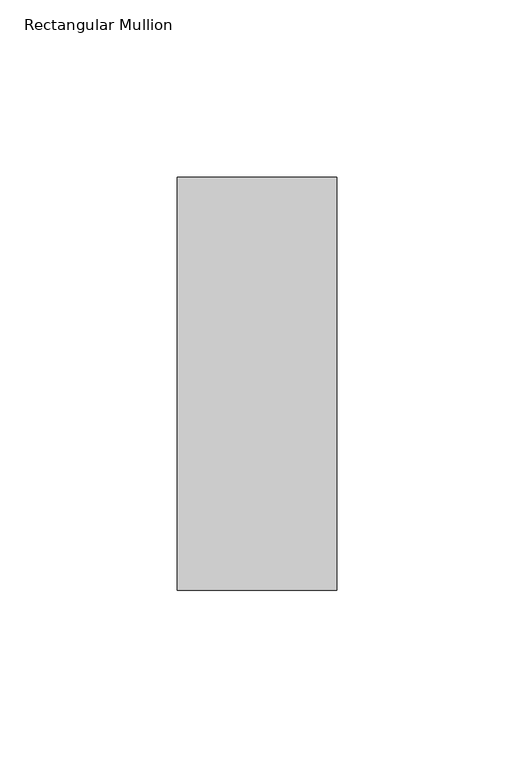
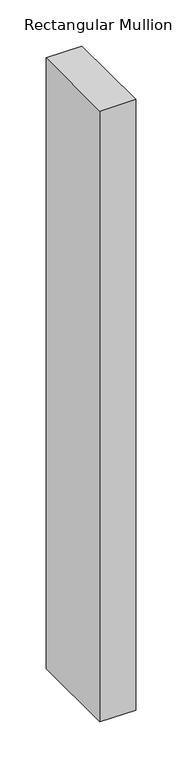
"""IFC4 building model written with IfcOpenShell, lengths in millimetres: member geometry, Rectangular Mullion."""

import ifcopenshell
import ifcopenshell.guid

model = None  # the IFC model being written
_history = None  # IfcOwnerHistory: only IFC2X3 demands one
_inside = {}  # id of a spatial element -> (the spatial element, [elements in it])
_under = {}  # id of a project, library or spatial element -> (it, [spatial elements below it])
_declared = {}  # id of a project -> (the project, [libraries it declares])
_typed = {}  # id of a type object -> (the type object, [elements of that type])
_made_of = {}  # id of a material, layer set ... -> (it, [elements and type objects made of it])


def new_model(schema):
    """Start an empty IFC model of exactly this schema.

    Asked for "IFC4X3", IfcOpenShell would pick the latest addendum, in which some entities
    have other attributes; the version numbers below select the first issue.
    IFC2X3 requires an IfcOwnerHistory on every rooted entity: one is made here for all.
    """
    global model, _history
    if schema == "IFC4X3":
        model = ifcopenshell.file(schema_version=(4, 3, 0, 0))
    else:
        model = ifcopenshell.file(schema=schema)
    _inside.clear()
    _under.clear()
    _declared.clear()
    _typed.clear()
    _made_of.clear()
    _history = None
    if model.schema == "IFC2X3":
        org = make("IfcOrganization", Name="unknown")
        user = make(
            "IfcPersonAndOrganization",
            ThePerson=make("IfcPerson", FamilyName="unknown"),
            TheOrganization=org,
        )
        app = make(
            "IfcApplication",
            ApplicationDeveloper=org,
            Version="unknown",
            ApplicationFullName="unknown",
            ApplicationIdentifier="unknown",
        )
        _history = make(
            "IfcOwnerHistory",
            OwningUser=user,
            OwningApplication=app,
            ChangeAction="ADDED",
            CreationDate=0,
        )
    return model


def make(cls, **values):
    """One entity of the class cls with the attributes given. An attribute that is None is left unset."""
    return model.create_entity(
        cls, **{name: value for name, value in values.items() if value is not None}
    )


def rooted(cls, **values):
    """An entity with a GlobalId (a new one), such as an element, a storey or a relation."""
    return make(cls, GlobalId=ifcopenshell.guid.new(), OwnerHistory=_history, **values)


def si_unit(unit_type, name, prefix=None):
    """IfcSIUnit, for example si_unit("LENGTHUNIT", "METRE", prefix="MILLI")."""
    return make("IfcSIUnit", UnitType=unit_type, Prefix=prefix, Name=name)


def assignment(units):
    """IfcUnitAssignment: the units of a project."""
    return None if units is None else make("IfcUnitAssignment", Units=units)


def point(xyz):
    """IfcCartesianPoint."""
    return None if xyz is None else make("IfcCartesianPoint", Coordinates=xyz)


def direction(xyz):
    """IfcDirection."""
    return None if xyz is None else make("IfcDirection", DirectionRatios=xyz)


def frame(location, z_axis=None, x_axis=None):
    """IfcAxis2Placement3D, a coordinate frame: its origin and axes. An axis left out is left unset."""
    return make(
        "IfcAxis2Placement3D",
        Location=point(location),
        Axis=direction(z_axis),
        RefDirection=direction(x_axis),
    )


def origin():
    """The frame at (0, 0, 0) with its axes left unset."""
    return frame((0.0, 0.0, 0.0))


def place(relative_to, where):
    """IfcLocalPlacement: puts the frame where relative to a parent placement (None: the world)."""
    return make(
        "IfcLocalPlacement", PlacementRelTo=relative_to, RelativePlacement=where
    )


def context(
    kind, dimensions, precision=None, world=None, true_north=None, identifier=None
):
    """IfcGeometricRepresentationContext, for example the 3D "Model" context."""
    return make(
        "IfcGeometricRepresentationContext",
        ContextIdentifier=identifier,
        ContextType=kind,
        CoordinateSpaceDimension=dimensions,
        Precision=precision,
        WorldCoordinateSystem=world,
        TrueNorth=true_north,
    )


def project(units=None, contexts=None):
    """IfcProject with its units and contexts."""
    return rooted(
        "IfcProject",
        Name="project",
        RepresentationContexts=contexts,
        UnitsInContext=assignment(units),
    )


def spatial(cls, under=None, at=None, **own):
    """A site, building, storey or space (cls), placed at a placement, below another one or the project."""
    s = rooted(cls, ObjectPlacement=at, **own)
    if under is not None:
        _under.setdefault(under.id(), (under, []))[1].append(s)
    return s


def polyline(points):
    """IfcPolyline through the points."""
    return make("IfcPolyline", Points=[point(p) for p in points])


def outline(outer, holes=None, kind="AREA"):
    """IfcArbitraryClosedProfileDef: a profile drawn as a closed curve; with holes, ...WithVoids."""
    if holes is None:
        return make("IfcArbitraryClosedProfileDef", ProfileType=kind, OuterCurve=outer)
    return make(
        "IfcArbitraryProfileDefWithVoids",
        ProfileType=kind,
        OuterCurve=outer,
        InnerCurves=holes,
    )


def extrude(swept, where, along, depth):
    """IfcExtrudedAreaSolid: the profile swept, set in the frame where, extruded along a direction by depth."""
    return make(
        "IfcExtrudedAreaSolid",
        SweptArea=swept,
        Position=where,
        ExtrudedDirection=direction(along),
        Depth=depth,
    )


def shape(context_of_items, identifier, shape_type, items):
    """IfcShapeRepresentation: the items that make up one representation, for example the "Body"."""
    return make(
        "IfcShapeRepresentation",
        ContextOfItems=context_of_items,
        RepresentationIdentifier=identifier,
        RepresentationType=shape_type,
        Items=items,
    )


def source(mapping_origin, context_of_items, identifier, shape_type, items):
    """IfcRepresentationMap: a shape defined once, which mapped items show again and again."""
    return make(
        "IfcRepresentationMap",
        MappingOrigin=mapping_origin,
        MappedRepresentation=shape(context_of_items, identifier, shape_type, items),
    )


def transform(
    local_origin,
    x_axis=None,
    y_axis=None,
    z_axis=None,
    scale=None,
    scale2=None,
    scale3=None,
    uniform=True,
):
    """IfcCartesianTransformationOperator3D, or its non-uniform kind. x_axis, y_axis, z_axis: its Axis1, 2, 3."""
    if uniform:
        return make(
            "IfcCartesianTransformationOperator3D",
            Axis1=direction(x_axis),
            Axis2=direction(y_axis),
            LocalOrigin=point(local_origin),
            Scale=scale,
            Axis3=direction(z_axis),
        )
    return make(
        "IfcCartesianTransformationOperator3DnonUniform",
        Axis1=direction(x_axis),
        Axis2=direction(y_axis),
        LocalOrigin=point(local_origin),
        Scale=scale,
        Axis3=direction(z_axis),
        Scale2=scale2,
        Scale3=scale3,
    )


def mapped(mapping_source, mapping_target):
    """IfcMappedItem: shows the shape of a source again, moved by a transform."""
    return make(
        "IfcMappedItem", MappingSource=mapping_source, MappingTarget=mapping_target
    )


def made_of(thing, what):
    """Note that an element or type object is made of a material, layer set ...; save() writes the relation."""
    if what is not None:
        _made_of.setdefault(what.id(), (what, []))[1].append(thing)
    return thing


def element(
    cls,
    number,
    at=None,
    inside=None,
    cuts=None,
    type_object=None,
    material=None,
    context=None,
    identifier="Body",
    shape_type=None,
    held_by="IfcProductDefinitionShape",
    body=None,
    shapes=None,
    **own,
):
    """One element of the class cls, such as IfcWall. Its Tag is "e" and its number.

    at: its placement. inside: the storey or other place that contains it. cuts: it is an
    opening in that element (IfcRelVoidsElement). A single representation is given by context,
    identifier, shape_type and body (its items); several are given by shapes. held_by: the class
    of the entity that holds the representations. save() writes the other relations.
    """
    e = rooted(cls, Tag="e%d" % number, ObjectPlacement=at, **own)
    if body is not None:
        shapes = [shape(context, identifier, shape_type, body)]
    if shapes is not None:
        e.Representation = make(held_by, Representations=shapes)
    if inside is not None:
        _inside.setdefault(inside.id(), (inside, []))[1].append(e)
    if cuts is not None:
        rooted(
            "IfcRelVoidsElement", RelatingBuildingElement=cuts, RelatedOpeningElement=e
        )
    if type_object is not None:
        _typed.setdefault(type_object.id(), (type_object, []))[1].append(e)
    return made_of(e, material)


def aggregate(whole, parts):
    """IfcRelAggregates: a whole, such as a stair, and the parts it consists of."""
    return rooted("IfcRelAggregates", RelatingObject=whole, RelatedObjects=parts)


def save(model, path):
    """Write the relations noted so far, then the file.

    IfcRelAggregates (storeys below a building ...), IfcRelContainedInSpatialStructure (elements
    in a storey), IfcRelDefinesByType, IfcRelAssociatesMaterial and IfcRelDeclares: one each for
    every whole, place, type object, material and project.
    """
    for whole, parts in _under.values():
        aggregate(whole, parts)
    for where, things in _inside.values():
        rooted(
            "IfcRelContainedInSpatialStructure",
            RelatedElements=things,
            RelatingStructure=where,
        )
    for kind, things in _typed.values():
        rooted("IfcRelDefinesByType", RelatedObjects=things, RelatingType=kind)
    for what, things in _made_of.values():
        rooted("IfcRelAssociatesMaterial", RelatedObjects=things, RelatingMaterial=what)
    for by, libraries in _declared.values():
        rooted("IfcRelDeclares", RelatingContext=by, RelatedDefinitions=libraries)
    model.write(path)


def rectangular_mullion_1dd0820b(model_context):
    return source(origin(), model_context, "Body", "SweptSolid", [
        extrude(outline(polyline([(22.5226562, 73.875), (22.5226562, -42.8257813), (-22.5226562, -42.8257813), (-22.5226562, 73.875), (22.5226562, 73.875)])), frame((0.0, 0.0, -810.1124175), z_axis=(0.0, 0.0, 1.0), x_axis=(1.0, 0.0, 0.0)), (0.0, 0.0, 1.0), 810.1124175),
    ])


if __name__ == "__main__":
    model = new_model("IFC4")
    model_context = context("Model", 3, world=origin())
    ifc_project = project(units=[si_unit("LENGTHUNIT", "METRE", prefix="MILLI")], contexts=[model_context])
    site = spatial("IfcSite", under=ifc_project)
    building = spatial("IfcBuilding", under=site)
    placement = place(None, origin())
    rectangular_mullion_shape = rectangular_mullion_1dd0820b(model_context)
    element("IfcMember", 1, ObjectType="Rectangular Mullion", at=placement, inside=building, context=model_context, shape_type="MappedRepresentation", body=[
        mapped(rectangular_mullion_shape, transform((0.0, 0.0, 0.0), x_axis=(1.0, 0.0, 0.0), y_axis=(0.0, 1.0, 0.0), z_axis=(0.0, 0.0, 1.0))),
    ])
    save(model, "model.ifc")
